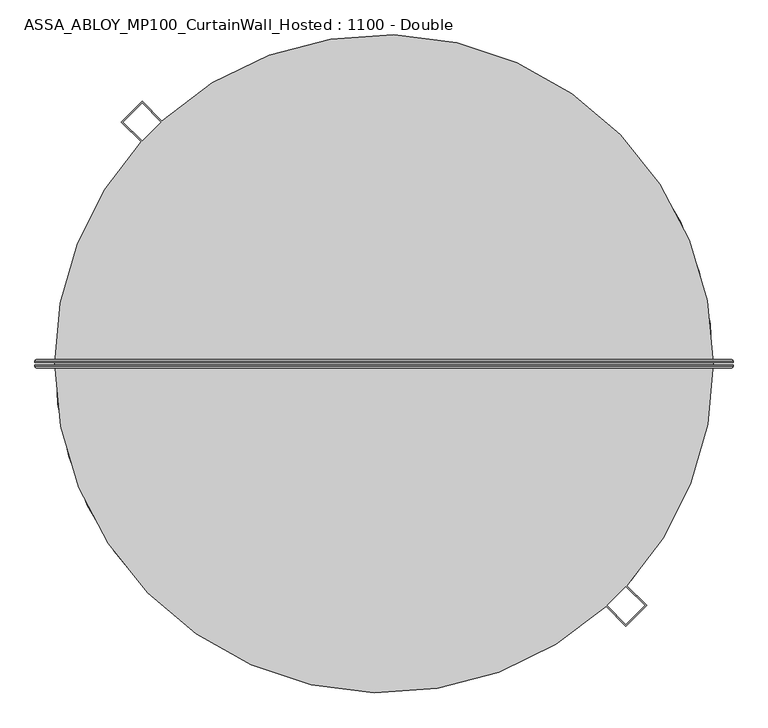
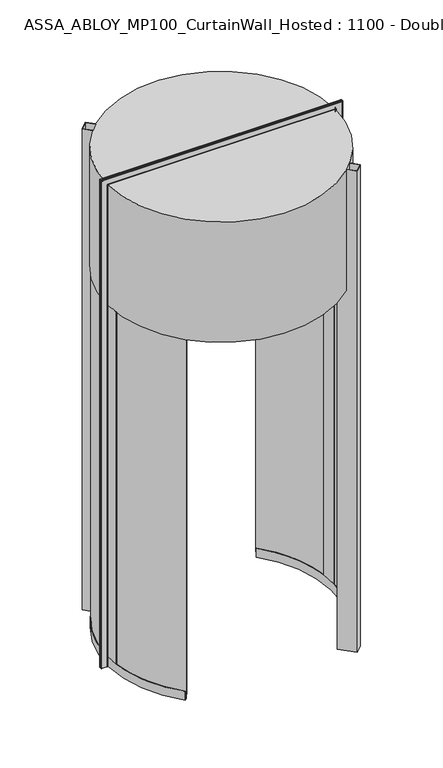
"""IFC4 building model written with IfcOpenShell, lengths in millimetres: plate geometry, ASSA_ABLOY_MP100_CurtainWall_Hosted : 1100 - Double."""

from ifc_helpers import new_model, si_unit, point, frame, origin, origin_2d, place, context, project, spatial, polyline, circle_curve, ellipse_curve, trimmed, segment, composite_curve, outline, extrude, source, transform, mapped, element, save
from ifc_brep_helpers import plane_surface, cylinder_surface, revolved_surface, advanced_brep


def assa_abloy_mp100_curtainwall_hosted_1100_double_5340b320(model_context):
    return source(origin(), model_context, "Body", "SolidModel", [
        advanced_brep(
        [(945.0980762, 11.0, 0.0), (949.0980762, 7.0, 0.0), (949.0980762, 3.0, 0.0), (947.0980762, 3.0, 0.0), (947.0980762, 7.0, 0.0), (945.0980762, 9.0, 0.0), (903.0980762, 9.0, 0.0), (901.0980762, 7.0, 0.0), (901.0980762, 3.0, 0.0), (899.0980762, 3.0, 0.0), (899.0980762, 7.0, 0.0), (903.0980762, 11.0, 0.0), (945.0980762, 11.0, 4050.9980762), (949.0980762, 7.0, 4054.9980762), (949.0980762, 3.0, 4054.9980762), (899.0980762, 7.0, 4004.9980762), (903.0980762, 11.0, 4008.9980762), (-903.0980762, 11.0, 4008.9980762), (-903.0980762, 11.0, 0.0), (-945.0980762, 11.0, 0.0), (-945.0980762, 11.0, 4050.9980762), (-949.0980762, 7.0, 4054.9980762), (-949.0980762, 3.0, 4054.9980762), (-899.0980762, 7.0, 4004.9980762), (-899.0980762, 7.0, 0.0), (-899.0980762, 3.0, 0.0), (-901.0980762, 3.0, 0.0), (-901.0980762, 7.0, 0.0), (-903.0980762, 9.0, 0.0), (-945.0980762, 9.0, 0.0), (-947.0980762, 7.0, 0.0), (-947.0980762, 3.0, 0.0), (-949.0980762, 3.0, 0.0), (-949.0980762, 7.0, 0.0), (-947.0980762, 3.0, 4052.9980762), (947.0980762, 3.0, 4052.9980762), (947.0980762, 7.0, 4052.9980762), (945.0980762, 9.0, 4050.9980762), (-945.0980762, 9.0, 4050.9980762), (-903.0980762, 9.0, 4008.9980762), (903.0980762, 9.0, 4008.9980762), (901.0980762, 7.0, 4006.9980762), (901.0980762, 3.0, 4006.9980762), (-901.0980762, 3.0, 4006.9980762), (-899.0980762, 3.0, 4004.9980762), (899.0980762, 3.0, 4004.9980762), (-947.0980762, 7.0, 4052.9980762), (-901.0980762, 7.0, 4006.9980762)],
        [
            (0, 1, circle_curve(frame((945.0980762, 7.0, 0.0), z_axis=(0.0, 0.0, -1.0), x_axis=(-1.0, 0.0, 0.0)), 4.0)),
            (1, 2),
            (2, 3),
            (3, 4),
            (4, 5, circle_curve(frame((945.0980762, 7.0, 0.0), z_axis=(0.0, 0.0, 1.0), x_axis=(-1.0, 0.0, 0.0)), 2.0)),
            (5, 6),
            (6, 7, circle_curve(frame((903.0980762, 7.0, 0.0), z_axis=(0.0, 0.0, 1.0), x_axis=(-1.0, 0.0, 0.0)), 2.0)),
            (7, 8),
            (8, 9),
            (9, 10),
            (10, 11, circle_curve(frame((903.0980762, 7.0, 0.0), z_axis=(0.0, 0.0, -1.0), x_axis=(-1.0, 0.0, 0.0)), 4.0)),
            (11, 0),
            (0, 12),
            (12, 13, ellipse_curve(frame((945.0980762, 7.0, 4050.9980762), z_axis=(0.7071067811865475, 0.0, -0.7071067811865475), x_axis=(-0.7071067811865474, 0.0, -0.7071067811865476)), 5.6568542, 4.0)),
            (13, 1),
            (13, 14),
            (14, 2),
            (10, 15),
            (15, 16, ellipse_curve(frame((903.0980762, 7.0, 4008.9980762), z_axis=(0.7071067811865475, 0.0, -0.7071067811865475), x_axis=(-0.7071067811865474, 0.0, -0.7071067811865476)), 5.6568542, 4.0)),
            (16, 11),
            (16, 17),
            (17, 18),
            (18, 19),
            (19, 20),
            (20, 12),
            (20, 21, ellipse_curve(frame((-945.0980762, 7.0, 4050.9980762), z_axis=(0.7071067811865475, 0.0, 0.7071067811865475), x_axis=(0.7071067811865476, 0.0, -0.7071067811865474)), 5.6568542, 4.0)),
            (21, 13),
            (21, 22),
            (22, 14),
            (15, 23),
            (23, 17, ellipse_curve(frame((-903.0980762, 7.0, 4008.9980762), z_axis=(0.7071067811865475, 0.0, 0.7071067811865475), x_axis=(0.7071067811865476, 0.0, -0.7071067811865474)), 5.6568542, 4.0)),
            (18, 24, circle_curve(frame((-903.0980762, 7.0, 0.0), z_axis=(0.0, 0.0, -1.0), x_axis=(1.0, 0.0, 0.0)), 4.0)),
            (24, 25),
            (25, 26),
            (26, 27),
            (27, 28, circle_curve(frame((-903.0980762, 7.0, 0.0), z_axis=(0.0, 0.0, 1.0), x_axis=(1.0, 0.0, 0.0)), 2.0)),
            (28, 29),
            (29, 30, circle_curve(frame((-945.0980762, 7.0, 0.0), z_axis=(0.0, 0.0, 1.0), x_axis=(1.0, 0.0, 0.0)), 2.0)),
            (30, 31),
            (31, 32),
            (32, 33),
            (33, 19, circle_curve(frame((-945.0980762, 7.0, 0.0), z_axis=(0.0, 0.0, -1.0), x_axis=(1.0, 0.0, 0.0)), 4.0)),
            (33, 21),
            (32, 22),
            (23, 24),
            (31, 34),
            (34, 35),
            (35, 3),
            (35, 36),
            (36, 4),
            (36, 37, ellipse_curve(frame((945.0980762, 7.0, 4050.9980762), z_axis=(-0.7071067811865475, 0.0, 0.7071067811865475), x_axis=(0.7071067811865474, 0.0, 0.7071067811865476)), 2.8284271, 2.0)),
            (37, 5),
            (37, 38),
            (38, 29),
            (28, 39),
            (39, 40),
            (40, 6),
            (40, 41, ellipse_curve(frame((903.0980762, 7.0, 4008.9980762), z_axis=(-0.7071067811865475, 0.0, 0.7071067811865475), x_axis=(0.7071067811865474, 0.0, 0.7071067811865476)), 2.8284271, 2.0)),
            (41, 7),
            (41, 42),
            (42, 8),
            (42, 43),
            (43, 26),
            (25, 44),
            (44, 45),
            (45, 9),
            (45, 15),
            (34, 46),
            (46, 36),
            (46, 38, ellipse_curve(frame((-945.0980762, 7.0, 4050.9980762), z_axis=(-0.7071067811865475, 0.0, -0.7071067811865475), x_axis=(-0.7071067811865476, 0.0, 0.7071067811865474)), 2.8284271, 2.0)),
            (39, 47, ellipse_curve(frame((-903.0980762, 7.0, 4008.9980762), z_axis=(-0.7071067811865475, 0.0, -0.7071067811865475), x_axis=(-0.7071067811865476, 0.0, 0.7071067811865474)), 2.8284271, 2.0)),
            (47, 41),
            (47, 43),
            (44, 23),
            (30, 46),
            (27, 47),
        ],
        [
            plane_surface(frame((899.1, 0.0, 0.0), z_axis=(0.0, 0.0, -1.0), x_axis=(0.0, -1.0, 0.0))),
            cylinder_surface(frame((945.0980762, 7.0, 0.0), z_axis=(0.0, 0.0, -1.0), x_axis=(-1.0, 0.0, 0.0)), 4.0),
            plane_surface(frame((949.0980762, 7.0, 0.0), z_axis=(1.0, 0.0, 0.0), x_axis=(0.0, 0.0, 1.0))),
            cylinder_surface(frame((903.0980762, 7.0, 0.0), z_axis=(0.0, 0.0, -1.0), x_axis=(-1.0, 0.0, 0.0)), 4.0),
            plane_surface(frame((903.0980762, 11.0, 0.0), z_axis=(0.0, 1.0, 0.0), x_axis=(0.0, 0.0, 1.0))),
            cylinder_surface(frame((899.1, 7.0, 4050.9980762), z_axis=(1.0, 0.0, 0.0), x_axis=(0.0, 0.0, -1.0)), 4.0),
            plane_surface(frame((949.0980762, 7.0, 4054.9980762), z_axis=(0.0, 0.0, 1.0), x_axis=(-1.0, 0.0, 0.0))),
            cylinder_surface(frame((899.1, 7.0, 4008.9980762), z_axis=(1.0, 0.0, 0.0), x_axis=(0.0, 0.0, -1.0)), 4.0),
            plane_surface(frame((-899.1, 0.0, 0.0), z_axis=(0.0, 0.0, -1.0), x_axis=(0.0, -1.0, 0.0))),
            cylinder_surface(frame((-945.0980762, 7.0, 4005.0), z_axis=(0.0, 0.0, 1.0), x_axis=(1.0, 0.0, 0.0)), 4.0),
            plane_surface(frame((-949.0980762, 7.0, 4054.9980762), z_axis=(-1.0, 0.0, 0.0), x_axis=(0.0, 0.0, -1.0))),
            cylinder_surface(frame((-903.0980762, 7.0, 4005.0), z_axis=(0.0, 0.0, 1.0), x_axis=(1.0, 0.0, 0.0)), 4.0),
            plane_surface(frame((949.0980762, 3.0, 0.0), z_axis=(0.0, -1.0, 0.0), x_axis=(0.0, 0.0, 1.0))),
            plane_surface(frame((947.0980762, 3.0, 0.0), z_axis=(-1.0, 0.0, 0.0), x_axis=(0.0, 0.0, 1.0))),
            revolved_surface(polyline([(943.0980762, 7.0, 4052.9980762), (943.0980762, 7.0, 0.0)]), (945.0980762, 7.0, 0.0), (0.0, 0.0, 1.0)),
            plane_surface(frame((945.0980762, 9.0, 0.0), z_axis=(0.0, -1.0, 0.0), x_axis=(0.0, 0.0, 1.0))),
            revolved_surface(polyline([(901.0980762, 7.0, 4010.998076182502), (901.0980762, 7.0, 0.0)]), (903.0980762, 7.0, 0.0), (0.0, 0.0, 1.0)),
            plane_surface(frame((901.0980762, 7.0, 0.0), z_axis=(1.0, 0.0, 0.0), x_axis=(0.0, 0.0, 1.0))),
            plane_surface(frame((901.0980762, 3.0, 0.0), z_axis=(0.0, -1.0, 0.0), x_axis=(0.0, 0.0, 1.0))),
            plane_surface(frame((899.0980762, 3.0, 0.0), z_axis=(-1.0, 0.0, 0.0), x_axis=(0.0, 0.0, 1.0))),
            plane_surface(frame((947.0980762, 3.0, 4052.9980762), z_axis=(0.0, 0.0, -1.0), x_axis=(-1.0, 0.0, 0.0))),
            revolved_surface(polyline([(-947.0980762, 7.0, 4048.9980762), (947.0980762, 7.0, 4048.9980762)]), (899.1, 7.0, 4050.9980762), (-1.0, 0.0, 0.0)),
            revolved_surface(polyline([(-905.0980761825018, 7.0, 4006.9980762), (905.0980761825018, 7.0, 4006.9980762)]), (899.1, 7.0, 4008.9980762), (-1.0, 0.0, 0.0)),
            plane_surface(frame((901.0980762, 7.0, 4006.9980762), z_axis=(0.0, 0.0, 1.0), x_axis=(-1.0, 0.0, 0.0))),
            plane_surface(frame((899.0980762, 3.0, 4004.9980762), z_axis=(0.0, 0.0, -1.0), x_axis=(-1.0, 0.0, 0.0))),
            plane_surface(frame((-947.0980762, 3.0, 4052.9980762), z_axis=(1.0, 0.0, 0.0), x_axis=(0.0, 0.0, -1.0))),
            revolved_surface(polyline([(-943.0980762, 7.0, 0.0), (-943.0980762, 7.0, 4052.9980762)]), (-945.0980762, 7.0, 4005.0), (0.0, 0.0, -1.0)),
            revolved_surface(polyline([(-901.0980762, 7.0, 0.0), (-901.0980762, 7.0, 4010.998076182502)]), (-903.0980762, 7.0, 4005.0), (0.0, 0.0, -1.0)),
            plane_surface(frame((-901.0980762, 7.0, 4006.9980762), z_axis=(-1.0, 0.0, 0.0), x_axis=(0.0, 0.0, -1.0))),
            plane_surface(frame((-899.0980762, 3.0, 4004.9980762), z_axis=(1.0, 0.0, 0.0), x_axis=(0.0, 0.0, -1.0))),
        ],
        [
            (0, [[1, 2, 3, 4, 5, 6, 7, 8, 9, 10, 11, 12]]),
            (1, [[-1, 13, 14, 15]]),
            (2, [[-2, -15, 16, 17]]),
            (3, [[-11, 18, 19, 20]]),
            (4, [[-12, -20, 21, 22, 23, 24, 25, -13]]),
            (5, [[-14, -25, 26, 27]]),
            (6, [[-16, -27, 28, 29]]),
            (7, [[-19, 30, 31, -21]]),
            (8, [[-23, 32, 33, 34, 35, 36, 37, 38, 39, 40, 41, 42]]),
            (9, [[-26, -24, -42, 43]]),
            (10, [[-28, -43, -41, 44]]),
            (11, [[-31, 45, -32, -22]]),
            (12, [[-3, -17, -29, -44, -40, 46, 47, 48]]),
            (13, [[-4, -48, 49, 50]]),
            (14, [[-5, -50, 51, 52]]),
            (15, [[-6, -52, 53, 54, -37, 55, 56, 57]]),
            (16, [[-7, -57, 58, 59]]),
            (17, [[-8, -59, 60, 61]]),
            (18, [[-9, -61, 62, 63, -34, 64, 65, 66]]),
            (19, [[-10, -66, 67, -18]]),
            (20, [[-49, -47, 68, 69]]),
            (21, [[-51, -69, 70, -53]]),
            (22, [[-58, -56, 71, 72]]),
            (23, [[-60, -72, 73, -62]]),
            (24, [[-67, -65, 74, -30]]),
            (25, [[-68, -46, -39, 75]]),
            (26, [[-70, -75, -38, -54]]),
            (27, [[-71, -55, -36, 76]]),
            (28, [[-73, -76, -35, -63]]),
            (29, [[-74, -64, -33, -45]]),
        ],
    ),
        advanced_brep(
        [(899.0980762, -3.0, 0.0), (901.0980762, -3.0, 0.0), (901.0980762, -7.0, 0.0), (903.0980762, -9.0, 0.0), (945.0980762, -9.0, 0.0), (947.0980762, -7.0, 0.0), (947.0980762, -3.0, 0.0), (949.0980762, -3.0, 0.0), (949.0980762, -7.0, 0.0), (945.0980762, -11.0, 0.0), (903.0980762, -11.0, 0.0), (899.0980762, -7.0, 0.0), (949.0980762, -7.0, 4054.9980762), (945.0980762, -11.0, 4050.9980762), (-945.0980762, -11.0, 4050.9980762), (-945.0980762, -11.0, 0.0), (-903.0980762, -11.0, 0.0), (-903.0980762, -11.0, 4008.9980762), (903.0980762, -11.0, 4008.9980762), (899.0980762, -7.0, 4004.9980762), (899.0980762, -3.0, 4004.9980762), (-949.0980762, -7.0, 4054.9980762), (-899.0980762, -7.0, 4004.9980762), (-899.0980762, -3.0, 4004.9980762), (-899.0980762, -3.0, 0.0), (-899.0980762, -7.0, 0.0), (-949.0980762, -7.0, 0.0), (-949.0980762, -3.0, 0.0), (-947.0980762, -3.0, 0.0), (-947.0980762, -7.0, 0.0), (-945.0980762, -9.0, 0.0), (-903.0980762, -9.0, 0.0), (-901.0980762, -7.0, 0.0), (-901.0980762, -3.0, 0.0), (-901.0980762, -3.0, 4006.9980762), (901.0980762, -3.0, 4006.9980762), (901.0980762, -7.0, 4006.9980762), (903.0980762, -9.0, 4008.9980762), (-903.0980762, -9.0, 4008.9980762), (-945.0980762, -9.0, 4050.9980762), (945.0980762, -9.0, 4050.9980762), (947.0980762, -7.0, 4052.9980762), (947.0980762, -3.0, 4052.9980762), (-947.0980762, -3.0, 4052.9980762), (-949.0980762, -3.0, 4054.9980762), (949.0980762, -3.0, 4054.9980762), (-901.0980762, -7.0, 4006.9980762), (-947.0980762, -7.0, 4052.9980762)],
        [
            (0, 1),
            (1, 2),
            (2, 3, circle_curve(frame((903.0980762, -7.0, 0.0), z_axis=(0.0, 0.0, 1.0), x_axis=(-1.0, 0.0, 0.0)), 2.0)),
            (3, 4),
            (4, 5, circle_curve(frame((945.0980762, -7.0, 0.0), z_axis=(0.0, 0.0, 1.0), x_axis=(-1.0, 0.0, 0.0)), 2.0)),
            (5, 6),
            (6, 7),
            (7, 8),
            (8, 9, circle_curve(frame((945.0980762, -7.0, 0.0), z_axis=(0.0, 0.0, -1.0), x_axis=(-1.0, 0.0, 0.0)), 4.0)),
            (9, 10),
            (10, 11, circle_curve(frame((903.0980762, -7.0, 0.0), z_axis=(0.0, 0.0, -1.0), x_axis=(-1.0, 0.0, 0.0)), 4.0)),
            (11, 0),
            (8, 12),
            (12, 13, ellipse_curve(frame((945.0980762, -7.0, 4050.9980762), z_axis=(0.7071067811865475, 0.0, -0.7071067811865475), x_axis=(-0.7071067811865474, 0.0, -0.7071067811865476)), 5.6568542, 4.0)),
            (13, 9),
            (13, 14),
            (14, 15),
            (15, 16),
            (16, 17),
            (17, 18),
            (18, 10),
            (18, 19, ellipse_curve(frame((903.0980762, -7.0, 4008.9980762), z_axis=(0.7071067811865475, 0.0, -0.7071067811865475), x_axis=(-0.7071067811865474, 0.0, -0.7071067811865476)), 5.6568542, 4.0)),
            (19, 11),
            (19, 20),
            (20, 0),
            (12, 21),
            (21, 14, ellipse_curve(frame((-945.0980762, -7.0, 4050.9980762), z_axis=(0.7071067811865475, 0.0, 0.7071067811865475), x_axis=(0.7071067811865476, 0.0, -0.7071067811865474)), 5.6568542, 4.0)),
            (17, 22, ellipse_curve(frame((-903.0980762, -7.0, 4008.9980762), z_axis=(0.7071067811865475, 0.0, 0.7071067811865475), x_axis=(0.7071067811865476, 0.0, -0.7071067811865474)), 5.6568542, 4.0)),
            (22, 19),
            (22, 23),
            (23, 20),
            (24, 25),
            (25, 16, circle_curve(frame((-903.0980762, -7.0, 0.0), z_axis=(0.0, 0.0, -1.0), x_axis=(1.0, 0.0, 0.0)), 4.0)),
            (15, 26, circle_curve(frame((-945.0980762, -7.0, 0.0), z_axis=(0.0, 0.0, -1.0), x_axis=(1.0, 0.0, 0.0)), 4.0)),
            (26, 27),
            (27, 28),
            (28, 29),
            (29, 30, circle_curve(frame((-945.0980762, -7.0, 0.0), z_axis=(0.0, 0.0, 1.0), x_axis=(1.0, 0.0, 0.0)), 2.0)),
            (30, 31),
            (31, 32, circle_curve(frame((-903.0980762, -7.0, 0.0), z_axis=(0.0, 0.0, 1.0), x_axis=(1.0, 0.0, 0.0)), 2.0)),
            (32, 33),
            (33, 24),
            (21, 26),
            (25, 22),
            (24, 23),
            (33, 34),
            (34, 35),
            (35, 1),
            (35, 36),
            (36, 2),
            (36, 37, ellipse_curve(frame((903.0980762, -7.0, 4008.9980762), z_axis=(-0.7071067811865475, 0.0, 0.7071067811865475), x_axis=(0.7071067811865474, 0.0, 0.7071067811865476)), 2.8284271, 2.0)),
            (37, 3),
            (37, 38),
            (38, 31),
            (30, 39),
            (39, 40),
            (40, 4),
            (40, 41, ellipse_curve(frame((945.0980762, -7.0, 4050.9980762), z_axis=(-0.7071067811865475, 0.0, 0.7071067811865475), x_axis=(0.7071067811865474, 0.0, 0.7071067811865476)), 2.8284271, 2.0)),
            (41, 5),
            (41, 42),
            (42, 6),
            (42, 43),
            (43, 28),
            (27, 44),
            (44, 45),
            (45, 7),
            (45, 12),
            (34, 46),
            (46, 36),
            (46, 38, ellipse_curve(frame((-903.0980762, -7.0, 4008.9980762), z_axis=(-0.7071067811865475, 0.0, -0.7071067811865475), x_axis=(-0.7071067811865476, 0.0, 0.7071067811865474)), 2.8284271, 2.0)),
            (39, 47, ellipse_curve(frame((-945.0980762, -7.0, 4050.9980762), z_axis=(-0.7071067811865475, 0.0, -0.7071067811865475), x_axis=(-0.7071067811865476, 0.0, 0.7071067811865474)), 2.8284271, 2.0)),
            (47, 41),
            (47, 43),
            (44, 21),
            (32, 46),
            (29, 47),
        ],
        [
            plane_surface(frame((899.1, 0.0, 0.0), z_axis=(0.0, 0.0, -1.0), x_axis=(0.0, -1.0, 0.0))),
            cylinder_surface(frame((945.0980762, -7.0, 0.0), z_axis=(0.0, 0.0, -1.0), x_axis=(-1.0, 0.0, 0.0)), 4.0),
            plane_surface(frame((945.0980762, -11.0, 0.0), z_axis=(0.0, -1.0, 0.0), x_axis=(0.0, 0.0, 1.0))),
            cylinder_surface(frame((903.0980762, -7.0, 0.0), z_axis=(0.0, 0.0, -1.0), x_axis=(-1.0, 0.0, 0.0)), 4.0),
            plane_surface(frame((899.0980762, -7.0, 0.0), z_axis=(-1.0, 0.0, 0.0), x_axis=(0.0, 0.0, 1.0))),
            cylinder_surface(frame((899.1, -7.0, 4050.9980762), z_axis=(1.0, 0.0, 0.0), x_axis=(0.0, 0.0, -1.0)), 4.0),
            cylinder_surface(frame((899.1, -7.0, 4008.9980762), z_axis=(1.0, 0.0, 0.0), x_axis=(0.0, 0.0, -1.0)), 4.0),
            plane_surface(frame((899.0980762, -7.0, 4004.9980762), z_axis=(0.0, 0.0, -1.0), x_axis=(-1.0, 0.0, 0.0))),
            plane_surface(frame((-899.1, 0.0, 0.0), z_axis=(0.0, 0.0, -1.0), x_axis=(0.0, -1.0, 0.0))),
            cylinder_surface(frame((-945.0980762, -7.0, 4005.0), z_axis=(0.0, 0.0, 1.0), x_axis=(1.0, 0.0, 0.0)), 4.0),
            cylinder_surface(frame((-903.0980762, -7.0, 4005.0), z_axis=(0.0, 0.0, 1.0), x_axis=(1.0, 0.0, 0.0)), 4.0),
            plane_surface(frame((-899.0980762, -7.0, 4004.9980762), z_axis=(1.0, 0.0, 0.0), x_axis=(0.0, 0.0, -1.0))),
            plane_surface(frame((899.0980762, -3.0, 0.0), z_axis=(0.0, 1.0, 0.0), x_axis=(0.0, 0.0, 1.0))),
            plane_surface(frame((901.0980762, -3.0, 0.0), z_axis=(1.0, 0.0, 0.0), x_axis=(0.0, 0.0, 1.0))),
            revolved_surface(polyline([(901.0980762, -7.0, 4010.998076182502), (901.0980762, -7.0, 0.0)]), (903.0980762, -7.0, 0.0), (0.0, 0.0, 1.0)),
            plane_surface(frame((903.0980762, -9.0, 0.0), z_axis=(0.0, 1.0, 0.0), x_axis=(0.0, 0.0, 1.0))),
            revolved_surface(polyline([(943.0980762, -7.0, 4052.9980762), (943.0980762, -7.0, 0.0)]), (945.0980762, -7.0, 0.0), (0.0, 0.0, 1.0)),
            plane_surface(frame((947.0980762, -7.0, 0.0), z_axis=(-1.0, 0.0, 0.0), x_axis=(0.0, 0.0, 1.0))),
            plane_surface(frame((947.0980762, -3.0, 0.0), z_axis=(0.0, 1.0, 0.0), x_axis=(0.0, 0.0, 1.0))),
            plane_surface(frame((949.0980762, -3.0, 0.0), z_axis=(1.0, 0.0, 0.0), x_axis=(0.0, 0.0, 1.0))),
            plane_surface(frame((901.0980762, -3.0, 4006.9980762), z_axis=(0.0, 0.0, 1.0), x_axis=(-1.0, 0.0, 0.0))),
            revolved_surface(polyline([(-905.0980761825018, -7.0, 4006.9980762), (905.0980761825018, -7.0, 4006.9980762)]), (899.1, -7.0, 4008.9980762), (-1.0, 0.0, 0.0)),
            revolved_surface(polyline([(-947.0980762, -7.0, 4048.9980762), (947.0980762, -7.0, 4048.9980762)]), (899.1, -7.0, 4050.9980762), (-1.0, 0.0, 0.0)),
            plane_surface(frame((947.0980762, -7.0, 4052.9980762), z_axis=(0.0, 0.0, -1.0), x_axis=(-1.0, 0.0, 0.0))),
            plane_surface(frame((949.0980762, -3.0, 4054.9980762), z_axis=(0.0, 0.0, 1.0), x_axis=(-1.0, 0.0, 0.0))),
            plane_surface(frame((-901.0980762, -3.0, 4006.9980762), z_axis=(-1.0, 0.0, 0.0), x_axis=(0.0, 0.0, -1.0))),
            revolved_surface(polyline([(-901.0980762, -7.0, 0.0), (-901.0980762, -7.0, 4010.998076182502)]), (-903.0980762, -7.0, 4005.0), (0.0, 0.0, -1.0)),
            revolved_surface(polyline([(-943.0980762, -7.0, 0.0), (-943.0980762, -7.0, 4052.9980762)]), (-945.0980762, -7.0, 4005.0), (0.0, 0.0, -1.0)),
            plane_surface(frame((-947.0980762, -7.0, 4052.9980762), z_axis=(1.0, 0.0, 0.0), x_axis=(0.0, 0.0, -1.0))),
            plane_surface(frame((-949.0980762, -3.0, 4054.9980762), z_axis=(-1.0, 0.0, 0.0), x_axis=(0.0, 0.0, -1.0))),
        ],
        [
            (0, [[1, 2, 3, 4, 5, 6, 7, 8, 9, 10, 11, 12]]),
            (1, [[-9, 13, 14, 15]]),
            (2, [[-10, -15, 16, 17, 18, 19, 20, 21]]),
            (3, [[-11, -21, 22, 23]]),
            (4, [[-12, -23, 24, 25]]),
            (5, [[-14, 26, 27, -16]]),
            (6, [[-22, -20, 28, 29]]),
            (7, [[-24, -29, 30, 31]]),
            (8, [[32, 33, -18, 34, 35, 36, 37, 38, 39, 40, 41, 42]]),
            (9, [[-27, 43, -34, -17]]),
            (10, [[-28, -19, -33, 44]]),
            (11, [[-30, -44, -32, 45]]),
            (12, [[-1, -25, -31, -45, -42, 46, 47, 48]]),
            (13, [[-2, -48, 49, 50]]),
            (14, [[-3, -50, 51, 52]]),
            (15, [[-4, -52, 53, 54, -39, 55, 56, 57]]),
            (16, [[-5, -57, 58, 59]]),
            (17, [[-6, -59, 60, 61]]),
            (18, [[-7, -61, 62, 63, -36, 64, 65, 66]]),
            (19, [[-8, -66, 67, -13]]),
            (20, [[-49, -47, 68, 69]]),
            (21, [[-51, -69, 70, -53]]),
            (22, [[-58, -56, 71, 72]]),
            (23, [[-60, -72, 73, -62]]),
            (24, [[-67, -65, 74, -26]]),
            (25, [[-68, -46, -41, 75]]),
            (26, [[-70, -75, -40, -54]]),
            (27, [[-71, -55, -38, 76]]),
            (28, [[-73, -76, -37, -63]]),
            (29, [[-74, -64, -35, -43]]),
        ],
    ),
        advanced_brep(
        [(-627.3617517, -607.8707388, 73.0), (-629.5162766, -609.9583265, 73.0), (-629.5162766, -609.9583265, 39.0), (-639.5707263, -619.7004023, 39.0), (-639.5707263, -619.7004023, 73.0), (-641.7252512, -621.78799, 73.0), (-641.7252512, -621.78799, 0.0), (-639.5707263, -619.7004023, 0.0), (-639.5707263, -619.7004023, 24.0), (-629.5162766, -609.9583265, 24.0), (-629.5162766, -609.9583265, 0.0), (-627.3617517, -607.8707388, 0.0), (-656.9545533, 575.7606424, 73.0), (-656.9545533, 575.7606424, 0.0), (-659.2107077, 577.7379556, 0.0), (-659.2107077, 577.7379556, 24.0), (-669.7394281, 586.9654171, 24.0), (-669.7394281, 586.9654171, 0.0), (-671.9955825, 588.9427303, 0.0), (-671.9955825, 588.9427303, 73.0), (-669.7394281, 586.9654171, 73.0), (-669.7394281, 586.9654171, 39.0), (-659.2107077, 577.7379556, 39.0), (-659.2107077, 577.7379556, 73.0), (-867.047818, -106.3846031, 73.0), (-870.0254878, -106.7499558, 73.0), (-876.0564154, 29.4118941, 73.0), (-873.0581047, 29.3112316, 73.0), (-890.0485342, 29.8815887, 73.0), (-883.921288, -108.4548717, 73.0), (-886.8989578, -108.8202243, 73.0), (-893.0468449, 29.982251, 73.0), (-893.0468449, 29.982251, 3000.0), (-886.8989578, -108.8202243, 3000.0), (-883.921288, -108.4548717, 3000.0), (-890.0485342, 29.8815887, 3000.0), (-873.0581047, 29.3112316, 3000.0), (-876.0564154, 29.4118941, 3000.0), (-870.0254878, -106.7499558, 3000.0), (-867.047818, -106.3846031, 3000.0)],
        [
            (0, 1),
            (1, 2),
            (2, 3),
            (3, 4),
            (4, 5),
            (5, 6),
            (6, 7),
            (7, 8),
            (8, 9),
            (9, 10),
            (10, 11),
            (11, 0),
            (12, 13),
            (13, 14),
            (14, 15),
            (15, 16),
            (16, 17),
            (17, 18),
            (18, 19),
            (19, 20),
            (20, 21),
            (21, 22),
            (22, 23),
            (23, 12),
            (0, 24, circle_curve(frame((0.0, 0.0, 73.0), z_axis=(0.0, 0.0, -1.0), x_axis=(-0.718174977567995, -0.6958625594147237, 0.0)), 873.55)),
            (24, 25),
            (25, 1, circle_curve(frame((0.0, 0.0, 73.0), z_axis=(0.0, 0.0, 1.0), x_axis=(-0.718174977567995, -0.6958625594147237, 0.0)), 876.55)),
            (23, 26, circle_curve(frame((0.0, 0.0, 73.0), z_axis=(0.0, 0.0, 1.0), x_axis=(-0.718174977567995, -0.6958625594147237, 0.0)), 876.55)),
            (26, 27),
            (27, 12, circle_curve(frame((0.0, 0.0, 73.0), z_axis=(0.0, 0.0, -1.0), x_axis=(-0.718174977567995, -0.6958625594147237, 0.0)), 873.55)),
            (25, 26, circle_curve(frame((0.0, 0.0, 73.0), z_axis=(0.0, 0.0, -1.0), x_axis=(-0.718174977567995, -0.6958625594147237, 0.0)), 876.55)),
            (22, 2, circle_curve(frame((0.0, 0.0, 39.0), z_axis=(0.0, 0.0, 1.0), x_axis=(-0.718174977567995, -0.6958625594147237, 0.0)), 876.55)),
            (21, 3, circle_curve(frame((0.0, 0.0, 39.0), z_axis=(0.0, 0.0, 1.0), x_axis=(-0.718174977567995, -0.6958625594147237, 0.0)), 890.55)),
            (20, 28, circle_curve(frame((0.0, 0.0, 73.0), z_axis=(0.0, 0.0, 1.0), x_axis=(-0.718174977567995, -0.6958625594147237, 0.0)), 890.55)),
            (28, 29, circle_curve(frame((0.0, 0.0, 73.0), z_axis=(0.0, 0.0, 1.0), x_axis=(-0.718174977567995, -0.6958625594147237, 0.0)), 890.55)),
            (29, 4, circle_curve(frame((0.0, 0.0, 73.0), z_axis=(0.0, 0.0, 1.0), x_axis=(-0.718174977567995, -0.6958625594147237, 0.0)), 890.55)),
            (29, 30),
            (30, 5, circle_curve(frame((0.0, 0.0, 73.0), z_axis=(0.0, 0.0, 1.0), x_axis=(-0.718174977567995, -0.6958625594147237, 0.0)), 893.55)),
            (19, 31, circle_curve(frame((0.0, 0.0, 73.0), z_axis=(0.0, 0.0, 1.0), x_axis=(-0.718174977567995, -0.6958625594147237, 0.0)), 893.55)),
            (31, 28),
            (30, 31, circle_curve(frame((0.0, 0.0, 73.0), z_axis=(0.0, 0.0, -1.0), x_axis=(-0.718174977567995, -0.6958625594147237, 0.0)), 893.55)),
            (18, 6, circle_curve(frame((0.0, 0.0, 0.0), z_axis=(0.0, 0.0, 1.0), x_axis=(-0.718174977567995, -0.6958625594147237, 0.0)), 893.55)),
            (17, 7, circle_curve(frame((0.0, 0.0, 0.0), z_axis=(0.0, 0.0, 1.0), x_axis=(-0.718174977567995, -0.6958625594147237, 0.0)), 890.55)),
            (16, 8, circle_curve(frame((0.0, 0.0, 24.0), z_axis=(0.0, 0.0, 1.0), x_axis=(-0.718174977567995, -0.6958625594147237, 0.0)), 890.55)),
            (15, 9, circle_curve(frame((0.0, 0.0, 24.0), z_axis=(0.0, 0.0, 1.0), x_axis=(-0.718174977567995, -0.6958625594147237, 0.0)), 876.55)),
            (14, 10, circle_curve(frame((0.0, 0.0, 0.0), z_axis=(0.0, 0.0, 1.0), x_axis=(-0.718174977567995, -0.6958625594147237, 0.0)), 876.55)),
            (13, 11, circle_curve(frame((0.0, 0.0, 0.0), z_axis=(0.0, 0.0, 1.0), x_axis=(-0.718174977567995, -0.6958625594147237, 0.0)), 873.55)),
            (27, 24, circle_curve(frame((0.0, 0.0, 73.0), z_axis=(0.0, 0.0, 1.0), x_axis=(-0.718174977567995, -0.6958625594147237, 0.0)), 873.55)),
            (32, 33, circle_curve(frame((0.0, 0.0, 3000.0), z_axis=(0.0, 0.0, 1.0), x_axis=(0.7071067811865459, -0.7071067811865491, 0.0)), 893.55)),
            (33, 34),
            (34, 35, circle_curve(frame((0.0, 0.0, 3000.0), z_axis=(0.0, 0.0, -1.0), x_axis=(0.7071067811865459, -0.7071067811865491, 0.0)), 890.55)),
            (35, 32),
            (32, 31),
            (30, 33),
            (29, 34),
            (28, 35),
            (36, 37),
            (37, 38, circle_curve(frame((0.0, 0.0, 3000.0), z_axis=(0.0, 0.0, 1.0), x_axis=(0.7071067811865459, -0.7071067811865492, 0.0)), 876.55)),
            (38, 39),
            (39, 36, circle_curve(frame((0.0, 0.0, 3000.0), z_axis=(0.0, 0.0, -1.0), x_axis=(0.7071067811865459, -0.7071067811865492, 0.0)), 873.55)),
            (36, 27),
            (26, 37),
            (25, 38),
            (24, 39),
        ],
        [
            plane_surface(frame((-634.5435014, -614.8293644, 0.0), z_axis=(0.6958625594147237, -0.718174977567995, 0.0), x_axis=(0.0, 0.0, 1.0))),
            plane_surface(frame((-664.4750679, 582.3516864, 0.0), z_axis=(0.6591043929135904, 0.7520514605012131, 0.0), x_axis=(0.0, 0.0, 1.0))),
            plane_surface(frame((0.0, 0.0, 73.0), z_axis=(0.0, 0.0, 1.0), x_axis=(-0.718174977567995, -0.6958625594147237, 0.0))),
            cylinder_surface(frame((0.0, 0.0, 0.0), z_axis=(0.0, 0.0, -1.0), x_axis=(-0.718174977567995, -0.6958625594147237, 0.0)), 876.55),
            plane_surface(frame((0.0, 0.0, 39.0), z_axis=(0.0, 0.0, 1.0), x_axis=(-0.718174977567995, -0.6958625594147237, 0.0))),
            revolved_surface(polyline([(-639.5707262731779, -619.7004022867822, 39.0), (-639.5707262731779, -619.7004022867822, 73.0)]), (0.0, 0.0, 0.0), (0.0, 0.0, -1.0)),
            cylinder_surface(frame((0.0, 0.0, 0.0), z_axis=(0.0, 0.0, -1.0), x_axis=(-0.718174977567995, -0.6958625594147237, 0.0)), 893.55),
            plane_surface(frame((0.0, 0.0, 0.0), z_axis=(0.0, 0.0, -1.0), x_axis=(-0.718174977567995, -0.6958625594147237, 0.0))),
            revolved_surface(polyline([(-639.5707262731779, -619.7004022867822, 0.0), (-639.5707262731779, -619.7004022867822, 24.0)]), (0.0, 0.0, 0.0), (0.0, 0.0, -1.0)),
            plane_surface(frame((0.0, 0.0, 24.0), z_axis=(0.0, 0.0, -1.0), x_axis=(-0.718174977567995, -0.6958625594147237, 0.0))),
            revolved_surface(polyline([(-627.361751654522, -607.8707387767319, 0.0), (-627.361751654522, -607.8707387767319, 73.0)]), (0.0, 0.0, 0.0), (0.0, 0.0, -1.0)),
            plane_surface(frame((631.8352643, -631.8352643, 3000.0), z_axis=(0.0, 0.0, 1.0000000000000002), x_axis=(0.7071067811865492, 0.7071067811865459, 0.0))),
            cylinder_surface(frame((0.0, 0.0, 73.0), z_axis=(0.0, 0.0, 1.0), x_axis=(0.7071067811865459, -0.7071067811865491, 0.0)), 893.55),
            plane_surface(frame((-886.8989578, -108.8202243, 3000.0), z_axis=(0.12178419038487846, -0.99255660340975, 0.0), x_axis=(0.0, 0.0, -1.0))),
            revolved_surface(polyline([(629.7139439856784, -629.7139439856813, 73.0), (629.7139439856784, -629.7139439856813, 3000.0)]), (0.0, 0.0, 73.0), (0.0, 0.0, -1.0)),
            plane_surface(frame((-890.0485342, 29.8815887, 3000.0), z_axis=(0.033554127064582544, 0.999436901738641, 0.0), x_axis=(0.0, 0.0, -1.0))),
            plane_surface(frame((-873.0581047, 29.3112316, 3000.0), z_axis=(0.0, 0.0, 1.0), x_axis=(-0.9994369002081612, 0.033554172651133175, 0.0))),
            plane_surface(frame((-873.0581047, 29.3112316, 3000.0), z_axis=(0.033554172651133175, 0.9994369002081612, 0.0), x_axis=(0.0, 0.0, -1.0))),
            cylinder_surface(frame((0.0, 0.0, 73.0), z_axis=(0.0, 0.0, 1.0000000000000002), x_axis=(0.7071067811865459, -0.7071067811865492, 0.0)), 876.55),
            plane_surface(frame((-870.0254878, -106.7499558, 3000.0), z_axis=(0.12178423542378133, -0.9925565978835893, 0.0), x_axis=(0.0, 0.0, -1.0))),
            revolved_surface(polyline([(617.6931287055071, -617.69312870551, 73.0), (617.6931287055071, -617.69312870551, 3000.000000000001)]), (0.0, 0.0, 73.0), (0.0, 0.0, -1.0000000000000002)),
        ],
        [
            (0, [[1, 2, 3, 4, 5, 6, 7, 8, 9, 10, 11, 12]]),
            (1, [[13, 14, 15, 16, 17, 18, 19, 20, 21, 22, 23, 24]]),
            (2, [[-1, 25, 26, 27]]),
            (2, [[-24, 28, 29, 30]]),
            (3, [[-2, -27, 31, -28, -23, 32]]),
            (4, [[-3, -32, -22, 33]]),
            (5, [[-4, -33, -21, 34, 35, 36]]),
            (2, [[-5, -36, 37, 38]]),
            (2, [[-20, 39, 40, -34]]),
            (6, [[-6, -38, 41, -39, -19, 42]]),
            (7, [[-7, -42, -18, 43]]),
            (8, [[-8, -43, -17, 44]]),
            (9, [[-9, -44, -16, 45]]),
            (3, [[-10, -45, -15, 46]]),
            (7, [[-11, -46, -14, 47]]),
            (10, [[-12, -47, -13, -30, 48, -25]]),
            (11, [[49, 50, 51, 52]]),
            (12, [[-49, 53, -41, 54]]),
            (13, [[-50, -54, -37, 55]]),
            (14, [[-51, -55, -35, 56]]),
            (15, [[-52, -56, -40, -53]]),
            (16, [[57, 58, 59, 60]]),
            (17, [[-57, 61, -29, 62]]),
            (18, [[-58, -62, -31, 63]]),
            (19, [[-59, -63, -26, 64]]),
            (20, [[-60, -64, -48, -61]]),
        ],
    ),
        advanced_brep(
        [(886.897516, 108.8201559, 3000.0), (883.9198462, 108.4548031, 3000.0), (890.047092, -29.8816478, 3000.0), (893.0454027, -29.9823104, 3000.0), (886.897516, 108.8201559, 73.0), (883.9198462, 108.4548031, 73.0), (890.047092, -29.8816478, 73.0), (893.0454027, -29.9823104, 73.0), (669.7409937, -586.9614469, 24.0), (669.7409937, -586.9614469, 0.0), (671.997157, -588.9387499, 0.0), (671.997157, -588.9387499, 73.0), (669.7409937, -586.9614469, 73.0), (669.7409937, -586.9614469, 39.0), (659.2122316, -577.7340329, 39.0), (659.2122316, -577.7340329, 73.0), (656.9560683, -575.7567299, 73.0), (656.9560683, -575.7567299, 0.0), (659.2122316, -577.7340329, 0.0), (659.2122316, -577.7340329, 24.0), (639.5716545, 619.6973758, 24.0), (629.517174, 609.9553318, 24.0), (629.517174, 609.9553318, 0.0), (627.3626424, 607.8677509, 0.0), (627.3626424, 607.8677509, 73.0), (629.517174, 609.9553318, 73.0), (629.517174, 609.9553318, 39.0), (639.5716545, 619.6973758, 39.0), (639.5716545, 619.6973758, 73.0), (641.726186, 621.7849566, 73.0), (641.726186, 621.7849566, 0.0), (639.5716545, 619.6973758, 0.0), (870.0240539, 106.7498233, 73.0), (876.0549754, -29.4118889, 73.0), (873.0566647, -29.3112263, 73.0), (867.0463841, 106.3844705, 73.0), (867.0463841, 106.3844705, 3000.0), (873.0566647, -29.3112263, 3000.0), (876.0549754, -29.4118889, 3000.0), (870.0240539, 106.7498233, 3000.0)],
        [
            (0, 1),
            (1, 2, circle_curve(frame((0.0, 0.0, 3000.0), z_axis=(0.0, 0.0, -1.0), x_axis=(-0.7071067811865481, -0.7071067811865469, 0.0)), 890.5485606)),
            (2, 3),
            (3, 0, circle_curve(frame((0.0, 0.0, 3000.0), z_axis=(0.0, 0.0, 1.0), x_axis=(-0.7071067811865481, -0.7071067811865469, 0.0)), 893.5485606)),
            (0, 4),
            (4, 5),
            (5, 1),
            (5, 6, circle_curve(frame((0.0, 0.0, 73.0), z_axis=(0.0, 0.0, -1.0), x_axis=(-0.7071067811865481, -0.7071067811865469, 0.0)), 890.5485606)),
            (6, 2),
            (6, 7),
            (7, 3),
            (7, 4, circle_curve(frame((0.0, 0.0, 73.0), z_axis=(0.0, 0.0, 1.0), x_axis=(-0.7071067811865481, -0.7071067811865469, 0.0)), 893.5485606)),
            (8, 9),
            (9, 10),
            (10, 11),
            (11, 12),
            (12, 13),
            (13, 14),
            (14, 15),
            (15, 16),
            (16, 17),
            (17, 18),
            (18, 19),
            (19, 8),
            (20, 21),
            (21, 22),
            (22, 23),
            (23, 24),
            (24, 25),
            (25, 26),
            (26, 27),
            (27, 28),
            (28, 29),
            (29, 30),
            (30, 31),
            (31, 20),
            (8, 20, circle_curve(frame((0.0, 0.0, 24.0), z_axis=(0.0, 0.0, 1.0), x_axis=(0.752054433995235, -0.6591010000812522, 0.0)), 890.5485606)),
            (31, 9, circle_curve(frame((0.0, 0.0, 0.0), z_axis=(0.0, 0.0, -1.0), x_axis=(0.752054433995235, -0.6591010000812522, 0.0)), 890.5485606)),
            (30, 10, circle_curve(frame((0.0, 0.0, 0.0), z_axis=(0.0, 0.0, -1.0), x_axis=(0.752054433995235, -0.6591010000812522, 0.0)), 893.5485606)),
            (29, 4, circle_curve(frame((0.0, 0.0, 73.0), z_axis=(0.0, 0.0, -1.0), x_axis=(0.752054433995235, -0.6591010000812522, 0.0)), 893.5485606)),
            (7, 11, circle_curve(frame((0.0, 0.0, 73.0), z_axis=(0.0, 0.0, -1.0), x_axis=(0.752054433995235, -0.6591010000812522, 0.0)), 893.5485606)),
            (6, 12, circle_curve(frame((0.0, 0.0, 73.0), z_axis=(0.0, 0.0, -1.0), x_axis=(0.752054433995235, -0.6591010000812522, 0.0)), 890.5485606)),
            (28, 5, circle_curve(frame((0.0, 0.0, 73.0), z_axis=(0.0, 0.0, -1.0), x_axis=(0.752054433995235, -0.6591010000812522, 0.0)), 890.5485606)),
            (27, 13, circle_curve(frame((0.0, 0.0, 39.0), z_axis=(0.0, 0.0, -1.0), x_axis=(0.752054433995235, -0.6591010000812522, 0.0)), 890.5485606)),
            (26, 14, circle_curve(frame((0.0, 0.0, 39.0), z_axis=(0.0, 0.0, -1.0), x_axis=(0.752054433995235, -0.6591010000812522, 0.0)), 876.5485606)),
            (25, 32, circle_curve(frame((0.0, 0.0, 73.0), z_axis=(0.0, 0.0, -1.0), x_axis=(0.752054433995235, -0.6591010000812522, 0.0)), 876.5485606)),
            (32, 33, circle_curve(frame((0.0, 0.0, 73.0), z_axis=(0.0, 0.0, -1.0), x_axis=(0.752054433995235, -0.6591010000812522, 0.0)), 876.5485606)),
            (33, 15, circle_curve(frame((0.0, 0.0, 73.0), z_axis=(0.0, 0.0, -1.0), x_axis=(0.752054433995235, -0.6591010000812522, 0.0)), 876.5485606)),
            (33, 34),
            (34, 16, circle_curve(frame((0.0, 0.0, 73.0), z_axis=(0.0, 0.0, -1.0), x_axis=(0.752054433995235, -0.6591010000812522, 0.0)), 873.5485606)),
            (24, 35, circle_curve(frame((0.0, 0.0, 73.0), z_axis=(0.0, 0.0, -1.0), x_axis=(0.752054433995235, -0.6591010000812522, 0.0)), 873.5485606)),
            (35, 32),
            (34, 35, circle_curve(frame((0.0, 0.0, 73.0), z_axis=(0.0, 0.0, 1.0), x_axis=(0.752054433995235, -0.6591010000812522, 0.0)), 873.5485606)),
            (23, 17, circle_curve(frame((0.0, 0.0, 0.0), z_axis=(0.0, 0.0, -1.0), x_axis=(0.752054433995235, -0.6591010000812522, 0.0)), 873.5485606)),
            (22, 18, circle_curve(frame((0.0, 0.0, 0.0), z_axis=(0.0, 0.0, -1.0), x_axis=(0.752054433995235, -0.6591010000812522, 0.0)), 876.5485606)),
            (21, 19, circle_curve(frame((0.0, 0.0, 24.0), z_axis=(0.0, 0.0, -1.0), x_axis=(0.752054433995235, -0.6591010000812522, 0.0)), 876.5485606)),
            (36, 37, circle_curve(frame((0.0, 0.0, 3000.0), z_axis=(0.0, 0.0, -1.0), x_axis=(-0.707106781186548, -0.707106781186547, 0.0)), 873.5485606)),
            (37, 38),
            (38, 39, circle_curve(frame((0.0, 0.0, 3000.0), z_axis=(0.0, 0.0, 1.0), x_axis=(-0.707106781186548, -0.707106781186547, 0.0)), 876.5485606)),
            (39, 36),
            (36, 35),
            (34, 37),
            (33, 38),
            (32, 39),
        ],
        [
            plane_surface(frame((886.897516, 108.8201559, 3000.0), z_axis=(0.0, 0.0, 1.0), x_axis=(-0.992556594094942, -0.12178426630172141, 0.0))),
            plane_surface(frame((886.897516, 108.8201559, 3000.0), z_axis=(-0.12178426630172141, 0.992556594094942, 0.0), x_axis=(0.0, 0.0, -1.0))),
            revolved_surface(polyline([(-629.7129261761796, -629.7129261761785, 73.0), (-629.7129261761796, -629.7129261761785, 3000.0)]), (0.0, 0.0, 73.0), (0.0, 0.0, -1.0)),
            plane_surface(frame((890.047092, -29.8816478, 3000.0), z_axis=(-0.033554203673576616, -0.9994368991666418, 0.0), x_axis=(0.0, 0.0, -1.0))),
            cylinder_surface(frame((0.0, 0.0, 73.0), z_axis=(0.0, 0.0, 1.0), x_axis=(-0.7071067811865481, -0.7071067811865469, 0.0)), 893.5485606),
            plane_surface(frame((664.4766126, -582.3477399, 0.0), z_axis=(-0.6591010000812522, -0.752054433995235, 0.0), x_axis=(0.0, 0.0, 1.0))),
            plane_surface(frame((634.5444142, 614.8263538, 0.0), z_axis=(-0.6958602856735391, 0.7181771806611101, 0.0), x_axis=(0.0, 0.0, 1.0))),
            revolved_surface(polyline([(669.7409936873042, -586.9614469123795, 24.0), (669.7409936873042, -586.9614469123795, 0.0)]), (0.0, 0.0, 0.0), (0.0, 0.0, 1.0)),
            plane_surface(frame((0.0, 0.0, 0.0), z_axis=(0.0, 0.0, -1.0), x_axis=(0.752054433995235, -0.6591010000812522, 0.0))),
            cylinder_surface(frame((0.0, 0.0, 0.0), z_axis=(0.0, 0.0, 1.0), x_axis=(0.752054433995235, -0.6591010000812522, 0.0)), 893.5485606),
            plane_surface(frame((0.0, 0.0, 73.0), z_axis=(0.0, 0.0, 1.0), x_axis=(0.752054433995235, -0.6591010000812522, 0.0))),
            revolved_surface(polyline([(669.7409936873042, -586.9614469123795, 73.0), (669.7409936873042, -586.9614469123795, 39.0)]), (0.0, 0.0, 0.0), (0.0, 0.0, 1.0)),
            plane_surface(frame((0.0, 0.0, 39.0), z_axis=(0.0, 0.0, 1.0), x_axis=(0.752054433995235, -0.6591010000812522, 0.0))),
            cylinder_surface(frame((0.0, 0.0, 0.0), z_axis=(0.0, 0.0, 1.0), x_axis=(0.752054433995235, -0.6591010000812522, 0.0)), 876.5485606),
            revolved_surface(polyline([(656.9560683093852, -575.7567299109983, 73.0), (656.9560683093852, -575.7567299109983, 0.0)]), (0.0, 0.0, 0.0), (0.0, 0.0, 1.0)),
            plane_surface(frame((0.0, 0.0, 24.0), z_axis=(0.0, 0.0, -1.0), x_axis=(0.752054433995235, -0.6591010000812522, 0.0))),
            plane_surface(frame((-617.6921109, -617.6921109, 3000.0), z_axis=(0.0, 0.0, 1.0), x_axis=(-0.7071067811865471, 0.707106781186548, 0.0))),
            revolved_surface(polyline([(-617.6921108960082, -617.6921108960073, 73.0), (-617.6921108960082, -617.6921108960073, 3000.0)]), (0.0, 0.0, 73.0), (0.0, 0.0, -1.0)),
            plane_surface(frame((873.0566647, -29.3112263, 3000.0), z_axis=(-0.0335542036698, -0.9994368991667686, 0.0), x_axis=(0.0, 0.0, -1.0))),
            cylinder_surface(frame((0.0, 0.0, 73.0), z_axis=(0.0, 0.0, 1.0), x_axis=(-0.707106781186548, -0.707106781186547, 0.0)), 876.5485606),
            plane_surface(frame((870.0240539, 106.7498233, 3000.0), z_axis=(-0.1217842662980141, 0.9925565940953969, 0.0), x_axis=(0.0, 0.0, -1.0))),
        ],
        [
            (0, [[1, 2, 3, 4]]),
            (1, [[-1, 5, 6, 7]]),
            (2, [[-2, -7, 8, 9]]),
            (3, [[-3, -9, 10, 11]]),
            (4, [[-4, -11, 12, -5]]),
            (5, [[13, 14, 15, 16, 17, 18, 19, 20, 21, 22, 23, 24]]),
            (6, [[25, 26, 27, 28, 29, 30, 31, 32, 33, 34, 35, 36]]),
            (7, [[-13, 37, -36, 38]]),
            (8, [[-14, -38, -35, 39]]),
            (9, [[-15, -39, -34, 40, -12, 41]]),
            (10, [[-16, -41, -10, 42]]),
            (10, [[-33, 43, -6, -40]]),
            (11, [[-17, -42, -8, -43, -32, 44]]),
            (12, [[-18, -44, -31, 45]]),
            (13, [[-19, -45, -30, 46, 47, 48]]),
            (10, [[-20, -48, 49, 50]]),
            (10, [[-29, 51, 52, -46]]),
            (14, [[-21, -50, 53, -51, -28, 54]]),
            (8, [[-22, -54, -27, 55]]),
            (13, [[-23, -55, -26, 56]]),
            (15, [[-24, -56, -25, -37]]),
            (16, [[57, 58, 59, 60]]),
            (17, [[-57, 61, -53, 62]]),
            (18, [[-58, -62, -49, 63]]),
            (19, [[-59, -63, -47, 64]]),
            (20, [[-60, -64, -52, -61]]),
        ],
    ),
        advanced_brep(
        [(657.6093065, -714.177849, 4000.0), (714.177849, -657.6093065, 4000.0), (660.5124737, -603.9439312, 4000.0), (895.0, 0.0, 4000.0), (-603.9439312, 660.5124737, 4000.0), (-657.6093065, 714.177849, 4000.0), (-714.177849, 657.6093065, 4000.0), (-660.5124737, 603.9439312, 4000.0), (-895.0, 0.0, 4000.0), (603.9439312, -660.5124737, 4000.0), (708.5209947, -657.6093065, 4000.0), (657.6093065, -708.5209947, 4000.0), (606.8925567, -657.8042449, 4000.0), (657.8042449, -606.8925567, 4000.0), (-606.8925567, 657.8042449, 4000.0), (-657.8042449, 606.8925567, 4000.0), (-708.5209947, 657.6093065, 4000.0), (-657.6093065, 708.5209947, 4000.0), (603.9439312, -660.5124737, 3000.0), (-895.0, 0.0, 3000.0), (-660.5124737, 603.9439312, 3000.0), (-615.1828996, 558.6143571, 3000.0), (-558.6143571, 615.1828996, 3000.0), (-603.9439312, 660.5124737, 3000.0), (895.0, 0.0, 3000.0), (660.5124737, -603.9439312, 3000.0), (615.1828996, -558.6143571, 3000.0), (558.6143571, -615.1828996, 3000.0), (657.8042449, -606.8925567, 3000.0), (606.8925567, -657.8042449, 3000.0), (564.2712114, -615.1828996, 3000.0), (615.1828996, -564.2712114, 3000.0), (-657.8042449, 606.8925567, 3000.0), (-606.8925567, 657.8042449, 3000.0), (-564.2712114, 615.1828996, 3000.0), (-615.1828996, 564.2712114, 3000.0), (657.6093065, -714.177849, 0.0), (558.6143571, -615.1828996, 0.0), (615.1828996, -558.6143571, 0.0), (714.177849, -657.6093065, 0.0), (615.1828996, -564.2712114, 0.0), (564.2712114, -615.1828996, 0.0), (657.6093065, -708.5209947, 0.0), (708.5209947, -657.6093065, 0.0), (-558.6143571, 615.1828996, 0.0), (-615.1828996, 558.6143571, 0.0), (-714.177849, 657.6093065, 0.0), (-657.6093065, 714.177849, 0.0), (-708.5209947, 657.6093065, 0.0), (-615.1828996, 564.2712114, 0.0), (-564.2712114, 615.1828996, 0.0), (-657.6093065, 708.5209947, 0.0)],
        [
            (0, 1),
            (1, 2),
            (2, 3, circle_curve(frame((0.0, 0.0, 4000.0), z_axis=(0.0, 0.0, 1.0), x_axis=(1.0, 0.0, 0.0)), 895.0)),
            (3, 4, circle_curve(frame((0.0, 0.0, 4000.0), z_axis=(0.0, 0.0, 1.0), x_axis=(1.0, 0.0, 0.0)), 895.0)),
            (4, 5),
            (5, 6),
            (6, 7),
            (7, 8, circle_curve(frame((0.0, 0.0, 4000.0), z_axis=(0.0, 0.0, 1.0), x_axis=(1.0, 0.0, 0.0)), 895.0)),
            (8, 9, circle_curve(frame((0.0, 0.0, 4000.0), z_axis=(0.0, 0.0, 1.0), x_axis=(1.0, 0.0, 0.0)), 895.0)),
            (9, 0),
            (10, 11),
            (11, 12),
            (12, 13, circle_curve(frame((0.0, 0.0, 4000.0), z_axis=(0.0, 0.0, 1.0), x_axis=(1.0, 0.0, 0.0)), 895.0)),
            (13, 10),
            (14, 15, circle_curve(frame((0.0, 0.0, 4000.0), z_axis=(0.0, 0.0, 1.0), x_axis=(1.0, 0.0, 0.0)), 895.0)),
            (15, 16),
            (16, 17),
            (17, 14),
            (18, 19, circle_curve(frame((0.0, 0.0, 3000.0), z_axis=(0.0, 0.0, -1.0), x_axis=(1.0, 0.0, 0.0)), 895.0)),
            (19, 20, circle_curve(frame((0.0, 0.0, 3000.0), z_axis=(0.0, 0.0, -1.0), x_axis=(1.0, 0.0, 0.0)), 895.0)),
            (20, 21),
            (21, 22),
            (22, 23),
            (23, 24, circle_curve(frame((0.0, 0.0, 3000.0), z_axis=(0.0, 0.0, -1.0), x_axis=(1.0, 0.0, 0.0)), 895.0)),
            (24, 25, circle_curve(frame((0.0, 0.0, 3000.0), z_axis=(0.0, 0.0, -1.0), x_axis=(1.0, 0.0, 0.0)), 895.0)),
            (25, 26),
            (26, 27),
            (27, 18),
            (28, 29, circle_curve(frame((0.0, 0.0, 3000.0), z_axis=(0.0, 0.0, -1.0), x_axis=(1.0, 0.0, 0.0)), 895.0)),
            (29, 30),
            (30, 31),
            (31, 28),
            (32, 33, circle_curve(frame((0.0, 0.0, 3000.0), z_axis=(0.0, 0.0, -1.0), x_axis=(1.0, 0.0, 0.0)), 895.0)),
            (33, 34),
            (34, 35),
            (35, 32),
            (12, 29),
            (28, 13),
            (8, 19),
            (18, 9),
            (24, 3),
            (2, 25),
            (14, 33),
            (32, 15),
            (7, 20),
            (23, 4),
            (36, 37),
            (37, 38),
            (38, 39),
            (39, 36),
            (40, 41),
            (41, 42),
            (42, 43),
            (43, 40),
            (36, 0),
            (27, 37),
            (26, 38),
            (1, 39),
            (40, 31),
            (30, 41),
            (11, 42),
            (10, 43),
            (44, 45),
            (45, 46),
            (46, 47),
            (47, 44),
            (48, 49),
            (49, 50),
            (50, 51),
            (51, 48),
            (44, 22),
            (21, 45),
            (6, 46),
            (5, 47),
            (48, 16),
            (35, 49),
            (34, 50),
            (17, 51),
        ],
        [
            plane_surface(frame((895.0, 0.0, 4000.0), z_axis=(0.0, 0.0, 1.0), x_axis=(0.0, 1.0, 0.0))),
            plane_surface(frame((895.0, 0.0, 3000.0), z_axis=(0.0, 0.0, -1.0), x_axis=(0.0, -1.0, 0.0))),
            cylinder_surface(frame((0.0, 0.0, 3000.0), z_axis=(0.0, 0.0, 1.0), x_axis=(1.0, 0.0, 0.0)), 895.0),
            plane_surface(frame((632.8605692, -632.8605692, 0.0), z_axis=(0.0, 0.0, -1.0), x_axis=(0.707106781186546, -0.7071067811865491, 0.0))),
            plane_surface(frame((657.6093065, -714.177849, 0.0), z_axis=(-0.707106781186549, -0.7071067811865461, 0.0), x_axis=(0.0, 0.0, 1.0))),
            plane_surface(frame((558.6143571, -615.1828996, 0.0), z_axis=(-0.7071067811865464, 0.7071067811865488, 0.0), x_axis=(0.0, 0.0, 1.0))),
            plane_surface(frame((615.1828996, -558.6143571, 0.0), z_axis=(0.7071067811865492, 0.7071067811865458, 0.0), x_axis=(0.0, 0.0, 1.0))),
            plane_surface(frame((714.177849, -657.6093065, 0.0), z_axis=(0.7071067811865458, -0.7071067811865492, 0.0), x_axis=(0.0, 0.0, 1.0))),
            plane_surface(frame((615.1828996, -564.2712114, 0.0), z_axis=(0.7071067811865461, -0.707106781186549, 0.0), x_axis=(0.0, 0.0, 1.0))),
            plane_surface(frame((564.2712114, -615.1828996, 0.0), z_axis=(0.7071067811865488, 0.7071067811865462, 0.0), x_axis=(0.0, 0.0, 1.0))),
            plane_surface(frame((657.6093065, -708.5209947, 0.0), z_axis=(-0.7071067811865457, 0.7071067811865495, 0.0), x_axis=(0.0, 0.0, 1.0))),
            plane_surface(frame((708.5209947, -657.6093065, 0.0), z_axis=(-0.7071067811865496, -0.7071067811865455, 0.0), x_axis=(0.0, 0.0, 1.0))),
            plane_surface(frame((-632.8605692, 632.8605692, 0.0), z_axis=(0.0, 0.0, -1.0), x_axis=(-0.707106781186546, 0.707106781186549, 0.0))),
            plane_surface(frame((-558.6143571, 615.1828996, 0.0), z_axis=(0.7071067811865462, -0.7071067811865488, 0.0), x_axis=(0.0, 0.0, 1.0))),
            plane_surface(frame((-615.1828996, 558.6143571, 0.0), z_axis=(-0.7071067811865492, -0.7071067811865459, 0.0), x_axis=(0.0, 0.0, 1.0))),
            plane_surface(frame((-714.177849, 657.6093065, 0.0), z_axis=(-0.7071067811865458, 0.7071067811865492, 0.0), x_axis=(0.0, 0.0, 1.0))),
            plane_surface(frame((-657.6093065, 714.177849, 0.0), z_axis=(0.707106781186549, 0.7071067811865461, 0.0), x_axis=(0.0, 0.0, 1.0))),
            plane_surface(frame((-708.5209947, 657.6093065, 0.0), z_axis=(0.7071067811865493, 0.7071067811865458, 0.0), x_axis=(0.0, 0.0, 1.0))),
            plane_surface(frame((-615.1828996, 564.2712114, 0.0), z_axis=(-0.7071067811865461, 0.7071067811865489, 0.0), x_axis=(0.0, 0.0, 1.0))),
            plane_surface(frame((-564.2712114, 615.1828996, 0.0), z_axis=(-0.7071067811865491, -0.707106781186546, 0.0), x_axis=(0.0, 0.0, 1.0))),
            plane_surface(frame((-657.6093065, 708.5209947, 0.0), z_axis=(0.7071067811865457, -0.7071067811865493, 0.0), x_axis=(0.0, 0.0, 1.0))),
        ],
        [
            (0, [[1, 2, 3, 4, 5, 6, 7, 8, 9, 10], [11, 12, 13, 14], [15, 16, 17, 18]]),
            (1, [[19, 20, 21, 22, 23, 24, 25, 26, 27, 28]]),
            (1, [[29, 30, 31, 32]]),
            (1, [[33, 34, 35, 36]]),
            (2, [[-13, 37, -29, 38]]),
            (2, [[39, -19, 40, -9]]),
            (2, [[41, -3, 42, -25]]),
            (2, [[-15, 43, -33, 44]]),
            (2, [[-39, -8, 45, -20]]),
            (2, [[-41, -24, 46, -4]]),
            (3, [[47, 48, 49, 50], [51, 52, 53, 54]]),
            (4, [[-47, 55, -10, -40, -28, 56]]),
            (5, [[-48, -56, -27, 57]]),
            (6, [[-49, -57, -26, -42, -2, 58]]),
            (7, [[-50, -58, -1, -55]]),
            (8, [[-51, 59, -31, 60]]),
            (9, [[-52, -60, -30, -37, -12, 61]]),
            (10, [[-53, -61, -11, 62]]),
            (11, [[-54, -62, -14, -38, -32, -59]]),
            (12, [[63, 64, 65, 66], [67, 68, 69, 70]]),
            (13, [[-63, 71, -22, 72]]),
            (14, [[-64, -72, -21, -45, -7, 73]]),
            (15, [[-65, -73, -6, 74]]),
            (16, [[-66, -74, -5, -46, -23, -71]]),
            (17, [[-67, 75, -16, -44, -36, 76]]),
            (18, [[-68, -76, -35, 77]]),
            (19, [[-69, -77, -34, -43, -18, 78]]),
            (20, [[-70, -78, -17, -75]]),
        ],
    ),
        extrude(outline(composite_curve([segment(trimmed(circle_curve(origin_2d(), 878.55), [point((-657.9029981, 582.2488709))], [point((-627.5243804, -614.8684855))], True, "CARTESIAN"), True, "CONTINUOUS"), segment(polyline([(-627.5243804, -614.8684855), (-634.6671085, -621.8671593)]), True, "CONTINUOUS"), segment(trimmed(circle_curve(origin_2d(), 888.55), [point((-634.6671085, -621.8671593))], [point((-665.3915075, 588.8762554))], False, "CARTESIAN"), True, "CONTINUOUS"), segment(polyline([(-665.3915075, 588.8762554), (-657.9029981, 582.2488709)]), True, "CONTINUOUS")], self_intersect=False)), frame((0.0, 0.0, 39.0), z_axis=(0.0, 0.0, 1.0), x_axis=(1.0, 0.0, 0.0)), (0.0, 0.0, 1.0), 2961.0),
        extrude(outline(composite_curve([segment(trimmed(circle_curve(origin_2d(), 888.5485606), [point((634.6660907, 621.8661414))], [point((665.1901334, -589.1015456))], False, "CARTESIAN"), True, "CONTINUOUS"), segment(polyline([(665.1901334, -589.1015456), (657.7038781, -582.4716148)]), True, "CONTINUOUS"), segment(trimmed(circle_curve(origin_2d(), 878.5485606), [point((657.7038781, -582.4716148))], [point((627.5233625, 614.8674677))], True, "CARTESIAN"), True, "CONTINUOUS"), segment(polyline([(627.5233625, 614.8674677), (634.6660907, 621.8661414)]), True, "CONTINUOUS")], self_intersect=False)), frame((0.0, 0.0, 39.0), z_axis=(0.0, 0.0, 1.0), x_axis=(1.0, 0.0, 0.0)), (0.0, 0.0, 1.0), 2961.0),
    ])


if __name__ == "__main__":
    model = new_model("IFC4")
    model_context = context("Model", 3, world=origin())
    ifc_project = project(units=[si_unit("LENGTHUNIT", "METRE", prefix="MILLI")], contexts=[model_context])
    site = spatial("IfcSite", under=ifc_project)
    building = spatial("IfcBuilding", under=site)
    placement = place(None, origin())
    assa_abloy_mp100_curtainwall_hosted_1100_double_shape = assa_abloy_mp100_curtainwall_hosted_1100_double_5340b320(model_context)
    element("IfcPlate", 1, ObjectType="ASSA_ABLOY_MP100_CurtainWall_Hosted : 1100 - Double", at=placement, inside=building, context=model_context, shape_type="MappedRepresentation", body=[
        mapped(assa_abloy_mp100_curtainwall_hosted_1100_double_shape, transform((0.0, 0.0, 0.0), x_axis=(1.0, 0.0, 0.0), y_axis=(0.0, 1.0, 0.0), z_axis=(0.0, 0.0, 1.0))),
    ])
    save(model, "model.ifc")
